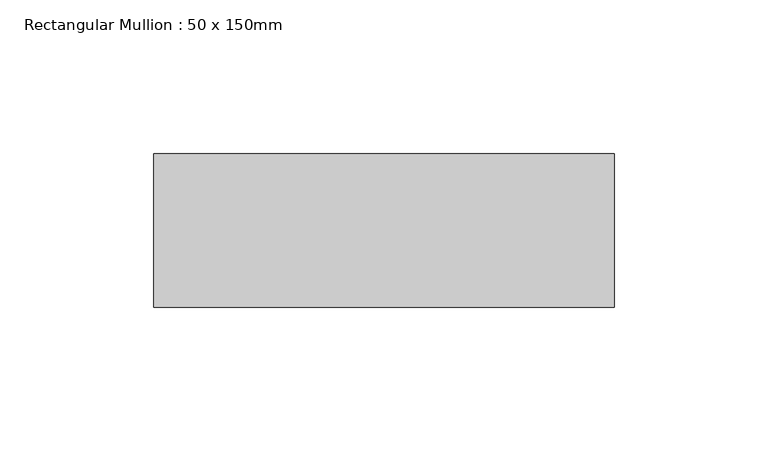
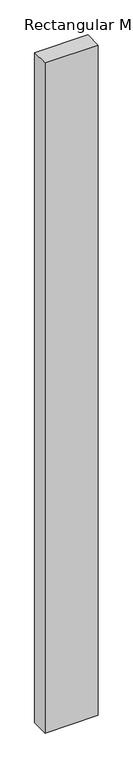
"""IFC4 building model written with IfcOpenShell, lengths in millimetres: member geometry, Rectangular Mullion : 50 x 150mm."""

import ifcopenshell
import ifcopenshell.guid

model = None  # the IFC model being written
_history = None  # IfcOwnerHistory: only IFC2X3 demands one
_inside = {}  # id of a spatial element -> (the spatial element, [elements in it])
_under = {}  # id of a project, library or spatial element -> (it, [spatial elements below it])
_declared = {}  # id of a project -> (the project, [libraries it declares])
_typed = {}  # id of a type object -> (the type object, [elements of that type])
_made_of = {}  # id of a material, layer set ... -> (it, [elements and type objects made of it])


def new_model(schema):
    """Start an empty IFC model of exactly this schema.

    Asked for "IFC4X3", IfcOpenShell would pick the latest addendum, in which some entities
    have other attributes; the version numbers below select the first issue.
    IFC2X3 requires an IfcOwnerHistory on every rooted entity: one is made here for all.
    """
    global model, _history
    if schema == "IFC4X3":
        model = ifcopenshell.file(schema_version=(4, 3, 0, 0))
    else:
        model = ifcopenshell.file(schema=schema)
    _inside.clear()
    _under.clear()
    _declared.clear()
    _typed.clear()
    _made_of.clear()
    _history = None
    if model.schema == "IFC2X3":
        org = make("IfcOrganization", Name="unknown")
        user = make(
            "IfcPersonAndOrganization",
            ThePerson=make("IfcPerson", FamilyName="unknown"),
            TheOrganization=org,
        )
        app = make(
            "IfcApplication",
            ApplicationDeveloper=org,
            Version="unknown",
            ApplicationFullName="unknown",
            ApplicationIdentifier="unknown",
        )
        _history = make(
            "IfcOwnerHistory",
            OwningUser=user,
            OwningApplication=app,
            ChangeAction="ADDED",
            CreationDate=0,
        )
    return model


def make(cls, **values):
    """One entity of the class cls with the attributes given. An attribute that is None is left unset."""
    return model.create_entity(
        cls, **{name: value for name, value in values.items() if value is not None}
    )


def rooted(cls, **values):
    """An entity with a GlobalId (a new one), such as an element, a storey or a relation."""
    return make(cls, GlobalId=ifcopenshell.guid.new(), OwnerHistory=_history, **values)


def si_unit(unit_type, name, prefix=None):
    """IfcSIUnit, for example si_unit("LENGTHUNIT", "METRE", prefix="MILLI")."""
    return make("IfcSIUnit", UnitType=unit_type, Prefix=prefix, Name=name)


def assignment(units):
    """IfcUnitAssignment: the units of a project."""
    return None if units is None else make("IfcUnitAssignment", Units=units)


def point(xyz):
    """IfcCartesianPoint."""
    return None if xyz is None else make("IfcCartesianPoint", Coordinates=xyz)


def direction(xyz):
    """IfcDirection."""
    return None if xyz is None else make("IfcDirection", DirectionRatios=xyz)


def frame(location, z_axis=None, x_axis=None):
    """IfcAxis2Placement3D, a coordinate frame: its origin and axes. An axis left out is left unset."""
    return make(
        "IfcAxis2Placement3D",
        Location=point(location),
        Axis=direction(z_axis),
        RefDirection=direction(x_axis),
    )


def origin():
    """The frame at (0, 0, 0) with its axes left unset."""
    return frame((0.0, 0.0, 0.0))


def place(relative_to, where):
    """IfcLocalPlacement: puts the frame where relative to a parent placement (None: the world)."""
    return make(
        "IfcLocalPlacement", PlacementRelTo=relative_to, RelativePlacement=where
    )


def context(
    kind, dimensions, precision=None, world=None, true_north=None, identifier=None
):
    """IfcGeometricRepresentationContext, for example the 3D "Model" context."""
    return make(
        "IfcGeometricRepresentationContext",
        ContextIdentifier=identifier,
        ContextType=kind,
        CoordinateSpaceDimension=dimensions,
        Precision=precision,
        WorldCoordinateSystem=world,
        TrueNorth=true_north,
    )


def project(units=None, contexts=None):
    """IfcProject with its units and contexts."""
    return rooted(
        "IfcProject",
        Name="project",
        RepresentationContexts=contexts,
        UnitsInContext=assignment(units),
    )


def spatial(cls, under=None, at=None, **own):
    """A site, building, storey or space (cls), placed at a placement, below another one or the project."""
    s = rooted(cls, ObjectPlacement=at, **own)
    if under is not None:
        _under.setdefault(under.id(), (under, []))[1].append(s)
    return s


def polyline(points):
    """IfcPolyline through the points."""
    return make("IfcPolyline", Points=[point(p) for p in points])


def outline(outer, holes=None, kind="AREA"):
    """IfcArbitraryClosedProfileDef: a profile drawn as a closed curve; with holes, ...WithVoids."""
    if holes is None:
        return make("IfcArbitraryClosedProfileDef", ProfileType=kind, OuterCurve=outer)
    return make(
        "IfcArbitraryProfileDefWithVoids",
        ProfileType=kind,
        OuterCurve=outer,
        InnerCurves=holes,
    )


def extrude(swept, where, along, depth):
    """IfcExtrudedAreaSolid: the profile swept, set in the frame where, extruded along a direction by depth."""
    return make(
        "IfcExtrudedAreaSolid",
        SweptArea=swept,
        Position=where,
        ExtrudedDirection=direction(along),
        Depth=depth,
    )


def shape(context_of_items, identifier, shape_type, items):
    """IfcShapeRepresentation: the items that make up one representation, for example the "Body"."""
    return make(
        "IfcShapeRepresentation",
        ContextOfItems=context_of_items,
        RepresentationIdentifier=identifier,
        RepresentationType=shape_type,
        Items=items,
    )


def source(mapping_origin, context_of_items, identifier, shape_type, items):
    """IfcRepresentationMap: a shape defined once, which mapped items show again and again."""
    return make(
        "IfcRepresentationMap",
        MappingOrigin=mapping_origin,
        MappedRepresentation=shape(context_of_items, identifier, shape_type, items),
    )


def transform(
    local_origin,
    x_axis=None,
    y_axis=None,
    z_axis=None,
    scale=None,
    scale2=None,
    scale3=None,
    uniform=True,
):
    """IfcCartesianTransformationOperator3D, or its non-uniform kind. x_axis, y_axis, z_axis: its Axis1, 2, 3."""
    if uniform:
        return make(
            "IfcCartesianTransformationOperator3D",
            Axis1=direction(x_axis),
            Axis2=direction(y_axis),
            LocalOrigin=point(local_origin),
            Scale=scale,
            Axis3=direction(z_axis),
        )
    return make(
        "IfcCartesianTransformationOperator3DnonUniform",
        Axis1=direction(x_axis),
        Axis2=direction(y_axis),
        LocalOrigin=point(local_origin),
        Scale=scale,
        Axis3=direction(z_axis),
        Scale2=scale2,
        Scale3=scale3,
    )


def mapped(mapping_source, mapping_target):
    """IfcMappedItem: shows the shape of a source again, moved by a transform."""
    return make(
        "IfcMappedItem", MappingSource=mapping_source, MappingTarget=mapping_target
    )


def made_of(thing, what):
    """Note that an element or type object is made of a material, layer set ...; save() writes the relation."""
    if what is not None:
        _made_of.setdefault(what.id(), (what, []))[1].append(thing)
    return thing


def element(
    cls,
    number,
    at=None,
    inside=None,
    cuts=None,
    type_object=None,
    material=None,
    context=None,
    identifier="Body",
    shape_type=None,
    held_by="IfcProductDefinitionShape",
    body=None,
    shapes=None,
    **own,
):
    """One element of the class cls, such as IfcWall. Its Tag is "e" and its number.

    at: its placement. inside: the storey or other place that contains it. cuts: it is an
    opening in that element (IfcRelVoidsElement). A single representation is given by context,
    identifier, shape_type and body (its items); several are given by shapes. held_by: the class
    of the entity that holds the representations. save() writes the other relations.
    """
    e = rooted(cls, Tag="e%d" % number, ObjectPlacement=at, **own)
    if body is not None:
        shapes = [shape(context, identifier, shape_type, body)]
    if shapes is not None:
        e.Representation = make(held_by, Representations=shapes)
    if inside is not None:
        _inside.setdefault(inside.id(), (inside, []))[1].append(e)
    if cuts is not None:
        rooted(
            "IfcRelVoidsElement", RelatingBuildingElement=cuts, RelatedOpeningElement=e
        )
    if type_object is not None:
        _typed.setdefault(type_object.id(), (type_object, []))[1].append(e)
    return made_of(e, material)


def aggregate(whole, parts):
    """IfcRelAggregates: a whole, such as a stair, and the parts it consists of."""
    return rooted("IfcRelAggregates", RelatingObject=whole, RelatedObjects=parts)


def save(model, path):
    """Write the relations noted so far, then the file.

    IfcRelAggregates (storeys below a building ...), IfcRelContainedInSpatialStructure (elements
    in a storey), IfcRelDefinesByType, IfcRelAssociatesMaterial and IfcRelDeclares: one each for
    every whole, place, type object, material and project.
    """
    for whole, parts in _under.values():
        aggregate(whole, parts)
    for where, things in _inside.values():
        rooted(
            "IfcRelContainedInSpatialStructure",
            RelatedElements=things,
            RelatingStructure=where,
        )
    for kind, things in _typed.values():
        rooted("IfcRelDefinesByType", RelatedObjects=things, RelatingType=kind)
    for what, things in _made_of.values():
        rooted("IfcRelAssociatesMaterial", RelatedObjects=things, RelatingMaterial=what)
    for by, libraries in _declared.values():
        rooted("IfcRelDeclares", RelatingContext=by, RelatedDefinitions=libraries)
    model.write(path)


def rectangular_mullion_50_x_150mm_b9419661(model_context):
    return source(origin(), model_context, "Body", "SweptSolid", [
        extrude(outline(polyline([(150.0, 50.0), (150.0, 0.0), (0.0, 0.0), (0.0, 50.0), (150.0, 50.0)])), frame((0.0, 0.0, -1994.0), z_axis=(0.0, 0.0, 1.0), x_axis=(1.0, 0.0, 0.0)), (0.0, 0.0, 1.0), 1994.0),
    ])


if __name__ == "__main__":
    model = new_model("IFC4")
    model_context = context("Model", 3, world=origin())
    ifc_project = project(units=[si_unit("LENGTHUNIT", "METRE", prefix="MILLI")], contexts=[model_context])
    site = spatial("IfcSite", under=ifc_project)
    building = spatial("IfcBuilding", under=site)
    placement = place(None, origin())
    rectangular_mullion_50_x_150mm_shape = rectangular_mullion_50_x_150mm_b9419661(model_context)
    element("IfcMember", 1, ObjectType="Rectangular Mullion : 50 x 150mm", at=placement, inside=building, context=model_context, shape_type="MappedRepresentation", body=[
        mapped(rectangular_mullion_50_x_150mm_shape, transform((0.0, 0.0, 0.0), x_axis=(1.0, 0.0, 0.0), y_axis=(0.0, 1.0, 0.0), z_axis=(0.0, 0.0, 1.0))),
    ])
    save(model, "model.ifc")
